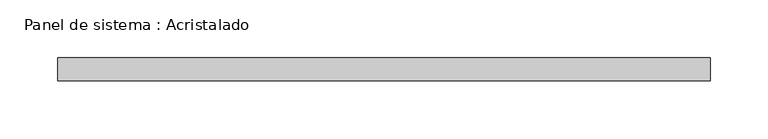
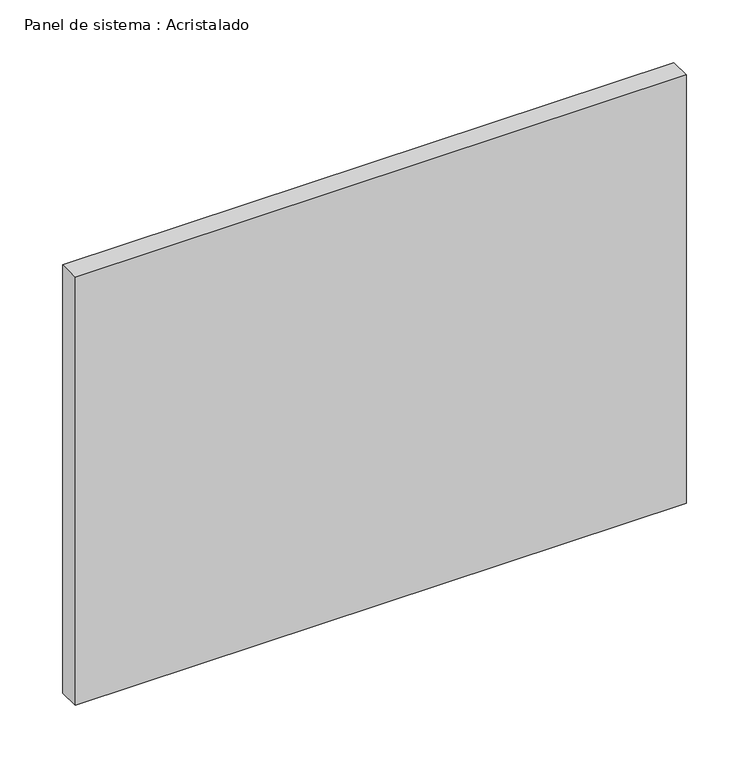
"""IFC4 building model written with IfcOpenShell, lengths in millimetres: plate geometry, Panel de sistema : Acristalado."""

from ifc_helpers import new_model, si_unit, origin, origin_with_axes, place, context, project, spatial, polyline, outline, extrude, source, transform, mapped, element, save


def panel_de_sistema_acristalado_4d422238(model_context):
    return source(origin(), model_context, "Body", "SweptSolid", [
        extrude(outline(polyline([(282.0, -10.0), (-282.0, -10.0), (-282.0, 10.0), (282.0, 10.0), (282.0, -10.0)])), origin_with_axes(), (0.0, 0.0, 1.0), 417.7452144),
    ])


if __name__ == "__main__":
    model = new_model("IFC4")
    model_context = context("Model", 3, world=origin())
    ifc_project = project(units=[si_unit("LENGTHUNIT", "METRE", prefix="MILLI")], contexts=[model_context])
    site = spatial("IfcSite", under=ifc_project)
    building = spatial("IfcBuilding", under=site)
    placement = place(None, origin())
    panel_de_sistema_acristalado_shape = panel_de_sistema_acristalado_4d422238(model_context)
    element("IfcPlate", 1, ObjectType="Panel de sistema : Acristalado", at=placement, inside=building, context=model_context, shape_type="MappedRepresentation", body=[
        mapped(panel_de_sistema_acristalado_shape, transform((0.0, 0.0, 0.0), x_axis=(1.0, 0.0, 0.0), y_axis=(0.0, 1.0, 0.0), z_axis=(0.0, 0.0, 1.0))),
    ])
    save(model, "model.ifc")
